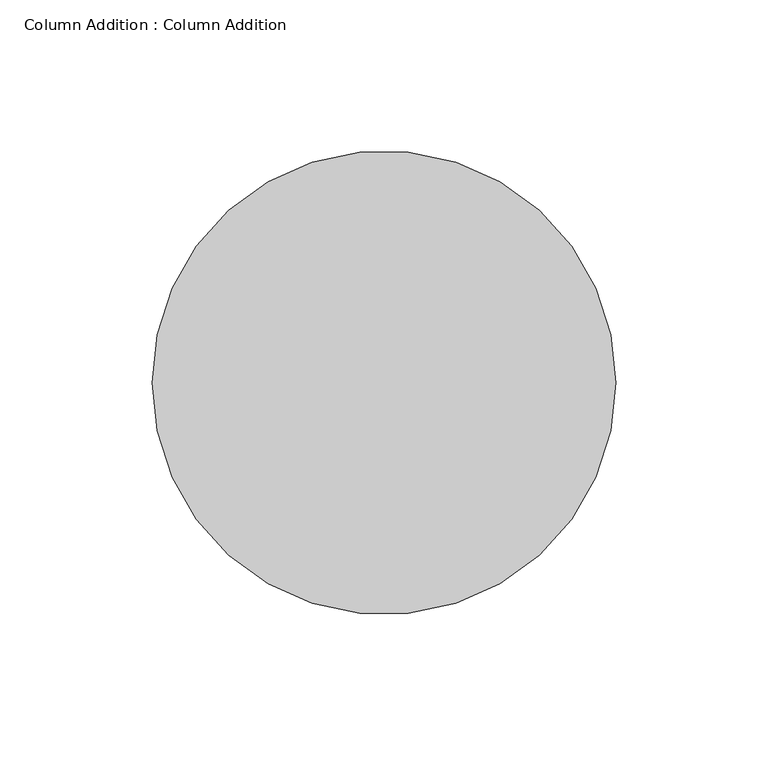
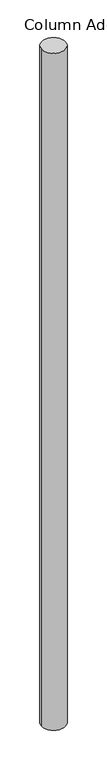
"""IFC4 building model written with IfcOpenShell, lengths in millimetres: column geometry, Column Addition : Column Addition."""

from ifc_helpers import new_model, si_unit, point, frame, frame_2d, origin, place, context, project, spatial, circle_curve, trimmed, segment, composite_curve, outline, extrude, source, transform, mapped, element, save


def column_addition_column_addition_e05b4c89(model_context):
    return source(origin(), model_context, "Body", "SweptSolid", [
        extrude(outline(composite_curve([segment(trimmed(circle_curve(frame_2d((204204.0728488, 182182.2596581)), 76.2), [point((204127.8728488, 182182.2596581))], [point((204280.2728488, 182182.2596581))], False, "CARTESIAN"), True, "CONTINUOUS"), segment(trimmed(circle_curve(frame_2d((204204.0728488, 182182.2596581)), 76.2), [point((204280.2728488, 182182.2596581))], [point((204127.8728488, 182182.2596581))], False, "CARTESIAN"), True, "CONTINUOUS")], self_intersect=False)), frame((0.0, 0.0, -59.4407436), z_axis=(0.0, 0.0, 1.0), x_axis=(1.0, 0.0, 0.0)), (0.0, 0.0, 1.0), 4622.8),
    ])


if __name__ == "__main__":
    model = new_model("IFC4")
    model_context = context("Model", 3, world=origin())
    ifc_project = project(units=[si_unit("LENGTHUNIT", "METRE", prefix="MILLI")], contexts=[model_context])
    site = spatial("IfcSite", under=ifc_project)
    building = spatial("IfcBuilding", under=site)
    placement = place(None, origin())
    column_addition_column_addition_shape = column_addition_column_addition_e05b4c89(model_context)
    element("IfcColumn", 1, ObjectType="Column Addition : Column Addition", at=placement, inside=building, context=model_context, shape_type="MappedRepresentation", body=[
        mapped(column_addition_column_addition_shape, transform((0.0, 0.0, 0.0), x_axis=(1.0, 0.0, 0.0), y_axis=(0.0, 1.0, 0.0), z_axis=(0.0, 0.0, 1.0))),
    ])
    save(model, "model.ifc")
